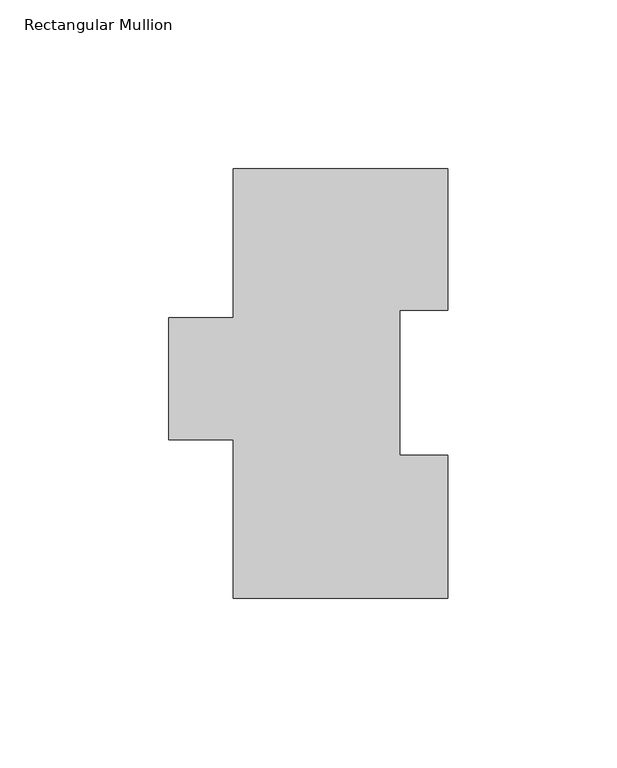
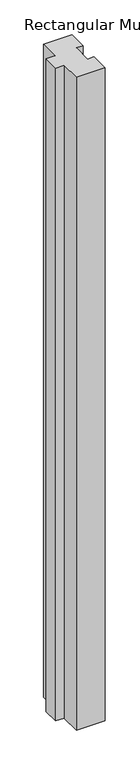
"""IFC4 building model written with IfcOpenShell, lengths in millimetres: member geometry, Rectangular Mullion."""

from ifc_helpers import new_model, si_unit, frame, origin, place, context, project, spatial, polyline, outline, extrude, source, transform, mapped, element, save


def rectangular_mullion_7897befc(model_context):
    return source(origin(), model_context, "Body", "SweptSolid", [
        extrude(outline(polyline([(31.75, 127.0079375), (31.75, 85.1487375), (17.4625, 85.1487375), (17.4625, 42.2989375), (31.75, 42.2989375), (31.75, 0.0079375), (-31.75, 0.0079375), (-31.75, 46.8391875), (-50.8, 46.8391875), (-50.8, 82.9329556), (-31.75, 82.9329556), (-31.75, 127.0079375), (31.75, 127.0079375)])), frame((0.0, 0.0, -1524.0), z_axis=(0.0, 0.0, 1.0), x_axis=(1.0, 0.0, 0.0)), (0.0, 0.0, 1.0), 1524.0),
    ])


if __name__ == "__main__":
    model = new_model("IFC4")
    model_context = context("Model", 3, world=origin())
    ifc_project = project(units=[si_unit("LENGTHUNIT", "METRE", prefix="MILLI")], contexts=[model_context])
    site = spatial("IfcSite", under=ifc_project)
    building = spatial("IfcBuilding", under=site)
    placement = place(None, origin())
    rectangular_mullion_shape = rectangular_mullion_7897befc(model_context)
    element("IfcMember", 1, ObjectType="Rectangular Mullion", at=placement, inside=building, context=model_context, shape_type="MappedRepresentation", body=[
        mapped(rectangular_mullion_shape, transform((0.0, 0.0, 0.0), x_axis=(1.0, 0.0, 0.0), y_axis=(0.0, 1.0, 0.0), z_axis=(0.0, 0.0, 1.0))),
    ])
    save(model, "model.ifc")
